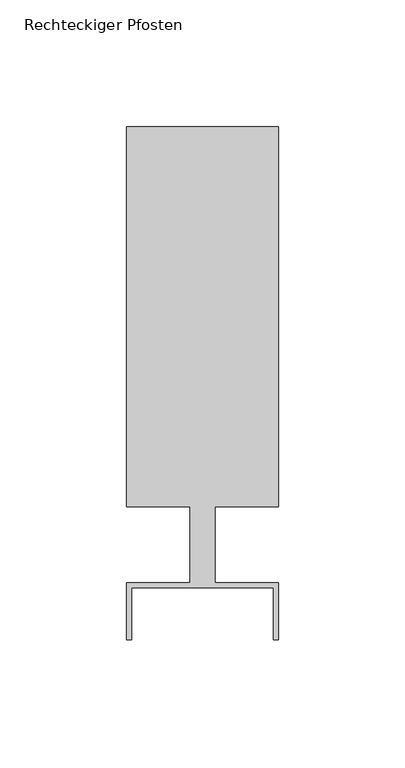
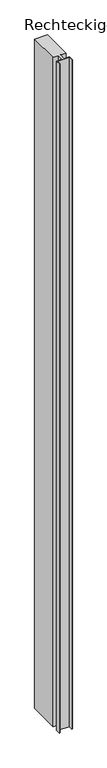
"""IFC4 building model written with IfcOpenShell, lengths in millimetres: member geometry, Rechteckiger Pfosten."""

from ifc_helpers import new_model, si_unit, frame, origin, place, context, project, spatial, polyline, outline, extrude, source, transform, mapped, element, save


def rechteckiger_pfosten_6330f027(model_context):
    return source(origin(), model_context, "Body", "SweptSolid", [
        extrude(outline(polyline([(-2.0, -37.5), (-2.0, -17.0), (-58.0, -17.0), (-58.0, -37.5), (-60.0, -37.5), (-60.0, -15.0), (-35.0, -15.0), (-35.0, 15.0), (-60.0, 15.0), (-60.0, 165.0), (0.0, 165.0), (0.0, 15.0), (-25.0, 15.0), (-25.0, -15.0), (0.0, -15.0), (0.0, -37.5), (-2.0, -37.5)])), frame((0.0, 0.0, -3330.0), z_axis=(0.0, 0.0, 1.0), x_axis=(1.0, 0.0, 0.0)), (0.0, 0.0, 1.0), 3330.0),
    ])


if __name__ == "__main__":
    model = new_model("IFC4")
    model_context = context("Model", 3, world=origin())
    ifc_project = project(units=[si_unit("LENGTHUNIT", "METRE", prefix="MILLI")], contexts=[model_context])
    site = spatial("IfcSite", under=ifc_project)
    building = spatial("IfcBuilding", under=site)
    placement = place(None, origin())
    rechteckiger_pfosten_shape = rechteckiger_pfosten_6330f027(model_context)
    element("IfcMember", 1, ObjectType="Rechteckiger Pfosten", at=placement, inside=building, context=model_context, shape_type="MappedRepresentation", body=[
        mapped(rechteckiger_pfosten_shape, transform((0.0, 0.0, 0.0), x_axis=(1.0, 0.0, 0.0), y_axis=(0.0, 1.0, 0.0), z_axis=(0.0, 0.0, 1.0))),
    ])
    save(model, "model.ifc")
